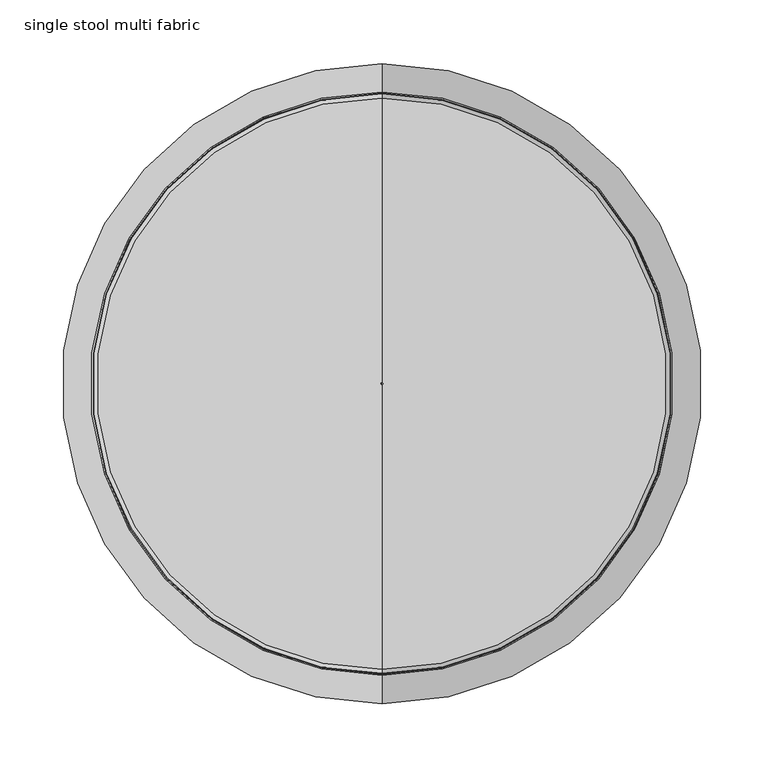
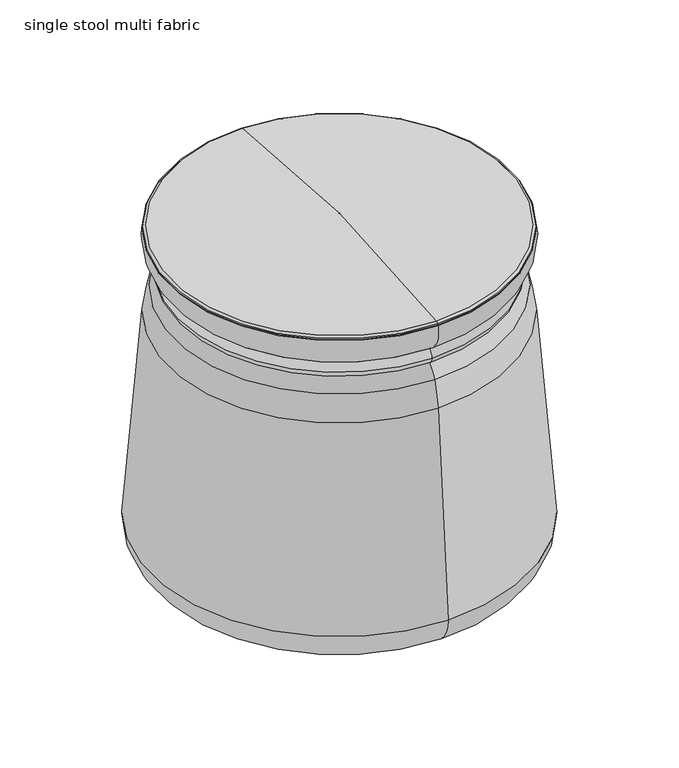
"""IFC4 building model written with IfcOpenShell, lengths in millimetres: furniture geometry, single stool multi fabric."""

from ifc_helpers import new_model, si_unit, point, frame, frame_2d, origin, origin_with_axes, place, context, project, spatial, circle_curve, ellipse_curve, trimmed, segment, composite_curve, outline, extrude, source, transform, mapped, element, save
from ifc_brep_helpers import plane_surface, cylinder_surface, revolved_surface, advanced_brep


def single_stool_multi_fabric_4eaed407(model_context):
    return source(origin(), model_context, "Body", "SolidModel", [
        advanced_brep(
        [(0.0, -215.1499465, 408.4069519), (0.0, 215.1499465, 408.4069519), (0.0, 193.1499465, 408.4069519), (0.0, -193.1499465, 408.4069519)],
        [
            (0, 1, circle_curve(frame((0.0, 0.0, 408.4069519), z_axis=(0.0, 0.0, 1.0), x_axis=(0.0, 1.0, 0.0)), 215.1499465)),
            (1, 2, circle_curve(frame((0.0, 204.1499465, 408.4069519), z_axis=(1.0, 0.0, 0.0), x_axis=(0.0, 1.0, 0.0)), 11.0)),
            (2, 3, circle_curve(frame((0.0, 0.0, 408.4069519), z_axis=(0.0, 0.0, -1.0), x_axis=(0.0, 1.0, 0.0)), 193.1499465)),
            (3, 0, circle_curve(frame((0.0, -204.1499465, 408.4069519), z_axis=(1.0, 0.0, 0.0), x_axis=(0.0, -1.0, 0.0)), 11.0)),
            (2, 1, circle_curve(frame((0.0, 204.1499465, 408.4069519), z_axis=(1.0, 0.0, 0.0), x_axis=(0.0, 1.0, 0.0)), 11.0)),
            (0, 3, circle_curve(frame((0.0, -204.1499465, 408.4069519), z_axis=(1.0, 0.0, 0.0), x_axis=(0.0, -1.0, 0.0)), 11.0)),
            (1, 0, circle_curve(frame((0.0, 0.0, 408.4069519), z_axis=(0.0, 0.0, 1.0), x_axis=(0.0, -1.0, 0.0)), 215.1499465)),
            (3, 2, circle_curve(frame((0.0, 0.0, 408.4069519), z_axis=(0.0, 0.0, -1.0), x_axis=(0.0, -1.0, 0.0)), 193.1499465)),
        ],
        [
            revolved_surface(trimmed(ellipse_curve(frame((0.0, 204.1499465, 408.4069519), z_axis=(-1.0, 0.0, 0.0), x_axis=(0.0, 1.0, 0.0)), 11.0, 11.0), [point((0.0, 193.1499465, 408.4069519))], [point((0.0, 215.1499465, 408.4069519))], True, "CARTESIAN"), (0.0, 0.0, 408.4069519), (0.0, 0.0, -1.0)),
            revolved_surface(trimmed(ellipse_curve(frame((0.0, 204.1499465, 408.4069519), z_axis=(-1.0, 0.0, 0.0), x_axis=(0.0, 1.0, 0.0)), 11.0, 11.0), [point((0.0, 215.1499465, 408.4069519))], [point((0.0, 193.1499465, 408.4069519))], True, "CARTESIAN"), (0.0, 0.0, 408.4069519), (0.0, 0.0, -1.0)),
            revolved_surface(trimmed(ellipse_curve(frame((0.0, -204.1499465, 408.4069519), z_axis=(1.0, 0.0, 0.0), x_axis=(0.0, -1.0, 0.0)), 11.0, 11.0), [point((0.0, -193.1499465, 408.4069519))], [point((0.0, -215.1499465, 408.4069519))], True, "CARTESIAN"), (0.0, 0.0, 408.4069519), (0.0, 0.0, -1.0)),
            revolved_surface(trimmed(ellipse_curve(frame((0.0, -204.1499465, 408.4069519), z_axis=(1.0, 0.0, 0.0), x_axis=(0.0, -1.0, 0.0)), 11.0, 11.0), [point((0.0, -215.1499465, 408.4069519))], [point((0.0, -193.1499465, 408.4069519))], True, "CARTESIAN"), (0.0, 0.0, 408.4069519), (0.0, 0.0, -1.0)),
        ],
        [
            (0, [[1, 2, 3, 4]]),
            (1, [[-3, 5, -1, 6]]),
            (2, [[7, -4, 8, -2]]),
            (3, [[-8, -6, -7, -5]]),
        ],
    ),
        extrude(outline(composite_curve([segment(trimmed(circle_curve(frame_2d((-69.1673536, 130.0426161)), 17.5), [point((-86.6644585, 129.724304))], [point((-51.6702488, 130.3609282))], False, "CARTESIAN"), True, "CONTINUOUS"), segment(trimmed(circle_curve(frame_2d((-69.1673536, 130.0426161)), 17.5), [point((-51.6702488, 130.3609282))], [point((-86.6644585, 129.724304))], False, "CARTESIAN"), True, "CONTINUOUS")], self_intersect=False)), origin_with_axes(), (0.0, 0.0, 1.0), 9.318512),
        extrude(outline(composite_curve([segment(trimmed(circle_curve(frame_2d((147.2926986, 0.2564078)), 17.5), [point((155.2552796, -15.3271509))], [point((139.3301176, 15.8399666))], False, "CARTESIAN"), True, "CONTINUOUS"), segment(trimmed(circle_curve(frame_2d((147.2926986, 0.2564078)), 17.5), [point((139.3301176, 15.8399666))], [point((155.2552796, -15.3271509))], False, "CARTESIAN"), True, "CONTINUOUS")], self_intersect=False)), origin_with_axes(), (0.0, 0.0, 1.0), 9.318512),
        extrude(outline(composite_curve([segment(trimmed(circle_curve(frame_2d((69.1673536, 130.0426161)), 17.5), [point((86.6644585, 129.724304))], [point((51.6702488, 130.3609282))], False, "CARTESIAN"), True, "CONTINUOUS"), segment(trimmed(circle_curve(frame_2d((69.1673536, 130.0426161)), 17.5), [point((51.6702488, 130.3609282))], [point((86.6644585, 129.724304))], False, "CARTESIAN"), True, "CONTINUOUS")], self_intersect=False)), origin_with_axes(), (0.0, 0.0, 1.0), 9.318512),
        extrude(outline(composite_curve([segment(trimmed(circle_curve(frame_2d((-147.2926986, 0.2564078)), 17.5), [point((-155.2552796, -15.3271509))], [point((-139.3301176, 15.8399666))], False, "CARTESIAN"), True, "CONTINUOUS"), segment(trimmed(circle_curve(frame_2d((-147.2926986, 0.2564078)), 17.5), [point((-139.3301176, 15.8399666))], [point((-155.2552796, -15.3271509))], False, "CARTESIAN"), True, "CONTINUOUS")], self_intersect=False)), origin_with_axes(), (0.0, 0.0, 1.0), 9.318512),
        extrude(outline(composite_curve([segment(trimmed(circle_curve(frame_2d((69.1673536, -130.0426161)), 17.5), [point((86.6644585, -129.724304))], [point((51.6702488, -130.3609282))], False, "CARTESIAN"), True, "CONTINUOUS"), segment(trimmed(circle_curve(frame_2d((69.1673536, -130.0426161)), 17.5), [point((51.6702488, -130.3609282))], [point((86.6644585, -129.724304))], False, "CARTESIAN"), True, "CONTINUOUS")], self_intersect=False)), origin_with_axes(), (0.0, 0.0, 1.0), 9.318512),
        extrude(outline(composite_curve([segment(trimmed(circle_curve(frame_2d((-69.1673536, -130.0426161)), 17.5), [point((-86.6644585, -129.724304))], [point((-51.6702488, -130.3609282))], False, "CARTESIAN"), True, "CONTINUOUS"), segment(trimmed(circle_curve(frame_2d((-69.1673536, -130.0426161)), 17.5), [point((-51.6702488, -130.3609282))], [point((-86.6644585, -129.724304))], False, "CARTESIAN"), True, "CONTINUOUS")], self_intersect=False)), origin_with_axes(), (0.0, 0.0, 1.0), 9.318512),
        advanced_brep(
        [(0.0, -196.1897301, 9.318512), (0.0, 196.1897301, 9.318512), (0.0, 0.0, 9.318512), (0.0, -196.1897301, 11.488237), (0.0, 196.1897301, 11.488237), (0.0, -227.8160728, 17.9934692), (0.0, 227.8160728, 17.9934692), (0.0, -251.7559837, 60.1893005), (0.0, 251.7559837, 60.1893005), (0.0, -228.5330833, 345.4851379), (0.0, 228.5330833, 345.4851379), (0.0, -220.7427311, 381.3732143), (0.0, 220.7427311, 381.3732143), (0.0, -208.1638512, 398.4069519), (0.0, 208.1638512, 398.4069519), (0.0, -228.5288719, 461.8478088), (0.0, 228.5288719, 461.8478088), (0.0, 210.3326969, 419.0421407), (0.0, -210.3326969, 419.0421407), (0.0, -227.3352244, 462.3835816), (0.0, 227.3352244, 462.3835816), (0.0, -227.8916403, 464.2905243), (0.0, 227.8916403, 464.2905243), (0.0, -224.6214208, 466.3577071), (0.0, 224.6214208, 466.3577071), (0.0, -1.1806816, 482.4126587), (0.0, 1.1806816, 482.4126587), (0.0, 0.0, 481.2319771)],
        [
            (0, 1, circle_curve(frame((0.0, 0.0, 9.318512), z_axis=(0.0, 0.0, -1.0), x_axis=(0.0, 1.0, 0.0)), 196.1897301)),
            (1, 2),
            (2, 0),
            (1, 0, circle_curve(frame((0.0, 0.0, 9.318512), z_axis=(0.0, 0.0, -1.0), x_axis=(0.0, 1.0, 0.0)), 196.1897301)),
            (3, 4, circle_curve(frame((0.0, 0.0, 11.488237), z_axis=(0.0, 0.0, -1.0), x_axis=(0.0, 1.0, 0.0)), 196.1897301)),
            (4, 1),
            (0, 3),
            (4, 3, circle_curve(frame((0.0, 0.0, 11.488237), z_axis=(0.0, 0.0, -1.0), x_axis=(0.0, 1.0, 0.0)), 196.1897301)),
            (5, 6, circle_curve(frame((0.0, 0.0, 17.9934692), z_axis=(0.0, 0.0, -1.0), x_axis=(0.0, 1.0, 0.0)), 227.8160728)),
            (6, 4, circle_curve(frame((0.0, 199.5552766, 75.257194), z_axis=(-1.0, 0.0, 0.0), x_axis=(0.0, -1.0, 0.0)), 63.8577073)),
            (3, 5, circle_curve(frame((0.0, -199.5552766, 75.257194), z_axis=(-1.0, 0.0, 0.0), x_axis=(0.0, 1.0, 0.0)), 63.8577073)),
            (6, 5, circle_curve(frame((0.0, 0.0, 17.9934692), z_axis=(0.0, 0.0, -1.0), x_axis=(0.0, 1.0, 0.0)), 227.8160728)),
            (7, 8, circle_curve(frame((0.0, 0.0, 60.1893005), z_axis=(0.0, 0.0, -1.0), x_axis=(0.0, 1.0, 0.0)), 251.7559837)),
            (8, 6, circle_curve(frame((0.0, 201.8642884, 60.6063793), z_axis=(-1.0, 0.0, 0.0), x_axis=(0.0, -1.0, 0.0)), 49.8934386)),
            (5, 7, circle_curve(frame((0.0, -201.8642884, 60.6063793), z_axis=(-1.0, 0.0, 0.0), x_axis=(0.0, 1.0, 0.0)), 49.8934386)),
            (8, 7, circle_curve(frame((0.0, 0.0, 60.1893005), z_axis=(0.0, 0.0, -1.0), x_axis=(0.0, 1.0, 0.0)), 251.7559837)),
            (9, 10, circle_curve(frame((0.0, 0.0, 345.4851379), z_axis=(0.0, 0.0, -1.0), x_axis=(0.0, 1.0, 0.0)), 228.5330833)),
            (10, 8, circle_curve(frame((0.0, -1348.0056648, 73.5627994), z_axis=(-1.0, 0.0, 0.0), x_axis=(0.0, -1.0, 0.0)), 1599.8175467)),
            (7, 9, circle_curve(frame((0.0, 1348.0056648, 73.5627994), z_axis=(-1.0, 0.0, 0.0), x_axis=(0.0, 1.0, 0.0)), 1599.8175467)),
            (10, 9, circle_curve(frame((0.0, 0.0, 345.4851379), z_axis=(0.0, 0.0, -1.0), x_axis=(0.0, 1.0, 0.0)), 228.5330833)),
            (11, 12, circle_curve(frame((0.0, 0.0, 381.3732143), z_axis=(0.0, 0.0, -1.0), x_axis=(0.0, 1.0, 0.0)), 220.7427311)),
            (12, 10, circle_curve(frame((0.0, 8.3545734, 316.4797845), z_axis=(-1.0, 0.0, 0.0), x_axis=(0.0, -1.0, 0.0)), 222.0808113)),
            (9, 11, circle_curve(frame((0.0, -8.3545734, 316.4797845), z_axis=(-1.0, 0.0, 0.0), x_axis=(0.0, 1.0, 0.0)), 222.0808113)),
            (12, 11, circle_curve(frame((0.0, 0.0, 381.3732143), z_axis=(0.0, 0.0, -1.0), x_axis=(0.0, 1.0, 0.0)), 220.7427311)),
            (13, 14, circle_curve(frame((0.0, 0.0, 398.4069519), z_axis=(0.0, 0.0, -1.0), x_axis=(0.0, 1.0, 0.0)), 208.1638512)),
            (14, 12, circle_curve(frame((0.0, 183.8890207, 367.3193298), z_axis=(-1.0, 0.0, 0.0), x_axis=(0.0, -1.0, 0.0)), 39.4424599)),
            (11, 13, circle_curve(frame((0.0, -183.8890207, 367.3193298), z_axis=(-1.0, 0.0, 0.0), x_axis=(0.0, 1.0, 0.0)), 39.4424599)),
            (14, 13, circle_curve(frame((0.0, 0.0, 398.4069519), z_axis=(0.0, 0.0, -1.0), x_axis=(0.0, 1.0, 0.0)), 208.1638512)),
            (15, 16, circle_curve(frame((0.0, 0.0, 461.8478088), z_axis=(0.0, 0.0, -1.0), x_axis=(0.0, 1.0, 0.0)), 228.5288719)),
            (16, 17, circle_curve(frame((0.0, 188.8777699, 453.432694), z_axis=(-1.0, 0.0, 0.0), x_axis=(0.0, -1.0, 0.0)), 40.5342331)),
            (17, 18, circle_curve(frame((0.0, 0.0, 419.0421407), z_axis=(0.0, 0.0, 1.0), x_axis=(0.0, 1.0, 0.0)), 210.3326969)),
            (18, 15, circle_curve(frame((0.0, -188.8777699, 453.432694), z_axis=(-1.0, 0.0, 0.0), x_axis=(0.0, 1.0, 0.0)), 40.5342331)),
            (16, 15, circle_curve(frame((0.0, 0.0, 461.8478088), z_axis=(0.0, 0.0, -1.0), x_axis=(0.0, 1.0, 0.0)), 228.5288719)),
            (18, 17, circle_curve(frame((0.0, 0.0, 419.0421407), z_axis=(0.0, 0.0, 1.0), x_axis=(0.0, 1.0, 0.0)), 210.3326969)),
            (19, 20, circle_curve(frame((0.0, 0.0, 462.3835816), z_axis=(0.0, 0.0, -1.0), x_axis=(0.0, 1.0, 0.0)), 227.3352244)),
            (20, 16, circle_curve(frame((0.0, 227.549844, 461.2641832), z_axis=(-1.0, 0.0, 0.0), x_axis=(0.0, -1.0, 0.0)), 1.139787)),
            (15, 19, circle_curve(frame((0.0, -227.549844, 461.2641832), z_axis=(-1.0, 0.0, 0.0), x_axis=(0.0, 1.0, 0.0)), 1.139787)),
            (20, 19, circle_curve(frame((0.0, 0.0, 462.3835816), z_axis=(0.0, 0.0, -1.0), x_axis=(0.0, 1.0, 0.0)), 227.3352244)),
            (21, 22, circle_curve(frame((0.0, 0.0, 464.2905243), z_axis=(0.0, 0.0, -1.0), x_axis=(0.0, 1.0, 0.0)), 227.8916403)),
            (22, 20, circle_curve(frame((0.0, 226.9765928, 463.5228727), z_axis=(-1.0, 0.0, 0.0), x_axis=(0.0, -1.0, 0.0)), 1.194404)),
            (19, 21, circle_curve(frame((0.0, -226.9765928, 463.5228727), z_axis=(-1.0, 0.0, 0.0), x_axis=(0.0, 1.0, 0.0)), 1.194404)),
            (22, 21, circle_curve(frame((0.0, 0.0, 464.2905243), z_axis=(0.0, 0.0, -1.0), x_axis=(0.0, 1.0, 0.0)), 227.8916403)),
            (23, 24, circle_curve(frame((0.0, 0.0, 466.3577071), z_axis=(0.0, 0.0, -1.0), x_axis=(0.0, 1.0, 0.0)), 224.6214208)),
            (24, 22, circle_curve(frame((0.0, 223.0194402, 460.2031386), z_axis=(-1.0, 0.0, 0.0), x_axis=(0.0, -1.0, 0.0)), 6.3596427)),
            (21, 23, circle_curve(frame((0.0, -223.0194402, 460.2031386), z_axis=(-1.0, 0.0, 0.0), x_axis=(0.0, 1.0, 0.0)), 6.3596427)),
            (24, 23, circle_curve(frame((0.0, 0.0, 466.3577071), z_axis=(0.0, 0.0, -1.0), x_axis=(0.0, 1.0, 0.0)), 224.6214208)),
            (25, 26, circle_curve(frame((0.0, 0.0, 482.4126587), z_axis=(0.0, 0.0, -1.0), x_axis=(0.0, 1.0, 0.0)), 1.1806816)),
            (26, 24, circle_curve(frame((0.0, -18.1012239, -1348.8059419), z_axis=(-1.0, 0.0, 0.0), x_axis=(0.0, -1.0, 0.0)), 1831.3201126)),
            (23, 25, circle_curve(frame((0.0, 18.1012239, -1348.8059419), z_axis=(-1.0, 0.0, 0.0), x_axis=(0.0, 1.0, 0.0)), 1831.3201126)),
            (26, 25, circle_curve(frame((0.0, 0.0, 482.4126587), z_axis=(0.0, 0.0, -1.0), x_axis=(0.0, 1.0, 0.0)), 1.1806816)),
            (27, 26, circle_curve(frame((0.0, 1.1806816, 481.2319771), z_axis=(-1.0, 0.0, 0.0), x_axis=(0.0, -1.0, 0.0)), 1.1806816)),
            (25, 27, circle_curve(frame((0.0, -1.1806816, 481.2319771), z_axis=(-1.0, 0.0, 0.0), x_axis=(0.0, 1.0, 0.0)), 1.1806816)),
            (17, 14, circle_curve(frame((0.0, 217.2972148, 407.8785685), z_axis=(1.0, 0.0, 0.0), x_axis=(0.0, -1.0, 0.0)), 13.1578818)),
            (13, 18, circle_curve(frame((0.0, -217.2972148, 407.8785685), z_axis=(1.0, 0.0, 0.0), x_axis=(0.0, 1.0, 0.0)), 13.1578818)),
        ],
        [
            plane_surface(frame((0.0, 0.0, 9.318512), z_axis=(0.0, 0.0, -1.0), x_axis=(0.0, 1.0, 0.0))),
            cylinder_surface(frame((0.0, 0.0, 485.9267943), z_axis=(0.0, 0.0, 1.0), x_axis=(0.0, 1.0, 0.0)), 196.1897301),
            revolved_surface(trimmed(ellipse_curve(frame((0.0, 199.5552766, 75.257194), z_axis=(1.0, 0.0, 0.0), x_axis=(0.0, -1.0, 0.0)), 63.8577073, 63.8577073), [point((0.0, 196.1897301, 11.488237))], [point((0.0, 227.8160728, 17.9934692))], True, "CARTESIAN"), (0.0, 0.0, 485.9267943), (0.0, 0.0, 1.0)),
            revolved_surface(trimmed(ellipse_curve(frame((0.0, 201.8642884, 60.6063793), z_axis=(1.0, 0.0, 0.0), x_axis=(0.0, -1.0, 0.0)), 49.8934386, 49.8934386), [point((0.0, 227.8160728, 17.9934692))], [point((0.0, 251.7559837, 60.1893005))], True, "CARTESIAN"), (0.0, 0.0, 485.9267943), (0.0, 0.0, 1.0)),
            revolved_surface(trimmed(ellipse_curve(frame((0.0, -1348.0056648, 73.5627994), z_axis=(1.0, 0.0, 0.0), x_axis=(0.0, -1.0, 0.0)), 1599.8175467, 1599.8175467), [point((0.0, 251.7559837, 60.1893005))], [point((0.0, 228.5330833, 345.4851379))], True, "CARTESIAN"), (0.0, 0.0, 485.9267943), (0.0, 0.0, 1.0)),
            revolved_surface(trimmed(ellipse_curve(frame((0.0, 8.3545734, 316.4797845), z_axis=(1.0, 0.0, 0.0), x_axis=(0.0, -1.0, 0.0)), 222.0808113, 222.0808113), [point((0.0, 228.5330833, 345.4851379))], [point((0.0, 220.7427311, 381.3732143))], True, "CARTESIAN"), (0.0, 0.0, 485.9267943), (0.0, 0.0, 1.0)),
            revolved_surface(trimmed(ellipse_curve(frame((0.0, 183.8890207, 367.3193298), z_axis=(1.0, 0.0, 0.0), x_axis=(0.0, -1.0, 0.0)), 39.4424599, 39.4424599), [point((0.0, 220.7427311, 381.3732143))], [point((0.0, 208.1638512, 398.4069519))], True, "CARTESIAN"), (0.0, 0.0, 485.9267943), (0.0, 0.0, 1.0)),
            revolved_surface(trimmed(ellipse_curve(frame((0.0, 188.8777699, 453.432694), z_axis=(1.0, 0.0, 0.0), x_axis=(0.0, -1.0, 0.0)), 40.5342331, 40.5342331), [point((0.0, 210.3326969, 419.0421407))], [point((0.0, 228.5288719, 461.8478088))], True, "CARTESIAN"), (0.0, 0.0, 485.9267943), (0.0, 0.0, 1.0)),
            revolved_surface(trimmed(ellipse_curve(frame((0.0, 227.549844, 461.2641832), z_axis=(1.0, 0.0, 0.0), x_axis=(0.0, -1.0, 0.0)), 1.139787, 1.139787), [point((0.0, 228.5288719, 461.8478088))], [point((0.0, 227.3352244, 462.3835816))], True, "CARTESIAN"), (0.0, 0.0, 485.9267943), (0.0, 0.0, 1.0)),
            revolved_surface(trimmed(ellipse_curve(frame((0.0, 226.9765928, 463.5228727), z_axis=(1.0, 0.0, 0.0), x_axis=(0.0, -1.0, 0.0)), 1.194404, 1.194404), [point((0.0, 227.3352244, 462.3835816))], [point((0.0, 227.8916403, 464.2905243))], True, "CARTESIAN"), (0.0, 0.0, 485.9267943), (0.0, 0.0, 1.0)),
            revolved_surface(trimmed(ellipse_curve(frame((0.0, 223.0194402, 460.2031386), z_axis=(1.0, 0.0, 0.0), x_axis=(0.0, -1.0, 0.0)), 6.3596427, 6.3596427), [point((0.0, 227.8916403, 464.2905243))], [point((0.0, 224.6214208, 466.3577071))], True, "CARTESIAN"), (0.0, 0.0, 485.9267943), (0.0, 0.0, 1.0)),
            revolved_surface(trimmed(ellipse_curve(frame((0.0, -18.1012239, -1348.8059419), z_axis=(1.0, 0.0, 0.0), x_axis=(0.0, -1.0, 0.0)), 1831.3201126, 1831.3201126), [point((0.0, 224.6214208, 466.3577071))], [point((0.0, 1.1806816, 482.4126587))], True, "CARTESIAN"), (0.0, 0.0, 485.9267943), (0.0, 0.0, 1.0)),
            revolved_surface(trimmed(ellipse_curve(frame((0.0, 1.1806816, 481.2319771), z_axis=(1.0, 0.0, 0.0), x_axis=(0.0, -1.0, 0.0)), 1.1806816, 1.1806816), [point((0.0, 1.193121, 482.4125932))], [point((0.0, 0.0, 481.2319771))], True, "CARTESIAN"), (0.0, 0.0, 485.9267943), (0.0, 0.0, 1.0)),
            revolved_surface(trimmed(ellipse_curve(frame((0.0, 217.2972148, 407.8785685), z_axis=(-1.0, 0.0, 0.0), x_axis=(0.0, -1.0, 0.0)), 13.1578818, 13.1578818), [point((0.0, 208.1638512, 398.4069519))], [point((0.0, 210.3326969, 419.0421407))], True, "CARTESIAN"), (0.0, 0.0, 485.9267943), (0.0, 0.0, 1.0)),
        ],
        [
            (0, [[1, 2, 3]]),
            (0, [[4, -3, -2]]),
            (1, [[5, 6, -1, 7]]),
            (1, [[8, -7, -4, -6]]),
            (2, [[9, 10, -5, 11]]),
            (2, [[12, -11, -8, -10]]),
            (3, [[13, 14, -9, 15]]),
            (3, [[16, -15, -12, -14]]),
            (4, [[17, 18, -13, 19]]),
            (4, [[20, -19, -16, -18]]),
            (5, [[21, 22, -17, 23]]),
            (5, [[24, -23, -20, -22]]),
            (6, [[25, 26, -21, 27]]),
            (6, [[28, -27, -24, -26]]),
            (7, [[29, 30, 31, 32]]),
            (7, [[33, -32, 34, -30]]),
            (8, [[35, 36, -29, 37]]),
            (8, [[38, -37, -33, -36]]),
            (9, [[39, 40, -35, 41]]),
            (9, [[42, -41, -38, -40]]),
            (10, [[43, 44, -39, 45]]),
            (10, [[46, -45, -42, -44]]),
            (11, [[47, 48, -43, 49]]),
            (11, [[50, -49, -46, -48]]),
            (12, [[51, -47, 52]]),
            (12, [[-52, -50, -51]]),
            (13, [[-31, 53, -25, 54]]),
            (13, [[-34, -54, -28, -53]]),
        ],
    ),
    ])


if __name__ == "__main__":
    model = new_model("IFC4")
    model_context = context("Model", 3, world=origin())
    ifc_project = project(units=[si_unit("LENGTHUNIT", "METRE", prefix="MILLI")], contexts=[model_context])
    site = spatial("IfcSite", under=ifc_project)
    building = spatial("IfcBuilding", under=site)
    placement = place(None, origin())
    single_stool_multi_fabric_shape = single_stool_multi_fabric_4eaed407(model_context)
    element("IfcFurniture", 1, ObjectType="single stool multi fabric", at=placement, inside=building, context=model_context, shape_type="MappedRepresentation", body=[
        mapped(single_stool_multi_fabric_shape, transform((0.0, 0.0, 0.0), x_axis=(1.0, 0.0, 0.0), y_axis=(0.0, 1.0, 0.0), z_axis=(0.0, 0.0, 1.0))),
    ])
    save(model, "model.ifc")
